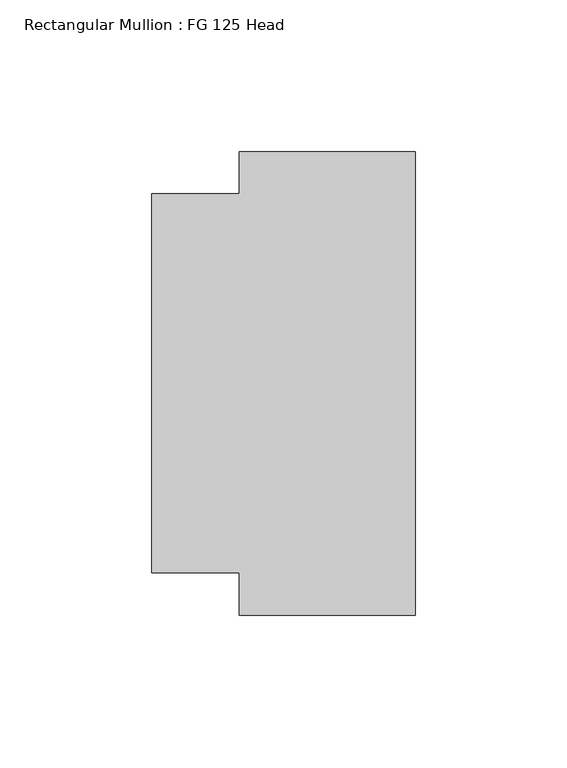
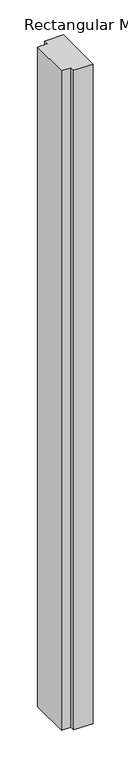
"""IFC4 building model written with IfcOpenShell, lengths in millimetres: member geometry, Rectangular Mullion : FG 125 Head."""

from ifc_helpers import new_model, si_unit, frame, origin, place, context, project, spatial, polyline, outline, extrude, source, transform, mapped, element, save


def rectangular_mullion_fg_125_head_9dd5354d(model_context):
    return source(origin(), model_context, "Body", "SweptSolid", [
        extrude(outline(polyline([(0.0, -76.5), (-58.0, -76.5), (-58.0, -62.4946881), (-87.0, -62.4946881), (-87.0, 62.5054723), (-58.0, 62.5054723), (-58.0, 76.5054723), (0.0, 76.5054723), (0.0, -76.5)])), frame((0.0, 0.0, -2100.0), z_axis=(0.0, 0.0, 1.0), x_axis=(1.0, 0.0, 0.0)), (0.0, 0.0, 1.0), 2100.0),
    ])


if __name__ == "__main__":
    model = new_model("IFC4")
    model_context = context("Model", 3, world=origin())
    ifc_project = project(units=[si_unit("LENGTHUNIT", "METRE", prefix="MILLI")], contexts=[model_context])
    site = spatial("IfcSite", under=ifc_project)
    building = spatial("IfcBuilding", under=site)
    placement = place(None, origin())
    rectangular_mullion_fg_125_head_shape = rectangular_mullion_fg_125_head_9dd5354d(model_context)
    element("IfcMember", 1, ObjectType="Rectangular Mullion : FG 125 Head", at=placement, inside=building, context=model_context, shape_type="MappedRepresentation", body=[
        mapped(rectangular_mullion_fg_125_head_shape, transform((0.0, 0.0, 0.0), x_axis=(1.0, 0.0, 0.0), y_axis=(0.0, 1.0, 0.0), z_axis=(0.0, 0.0, 1.0))),
    ])
    save(model, "model.ifc")
